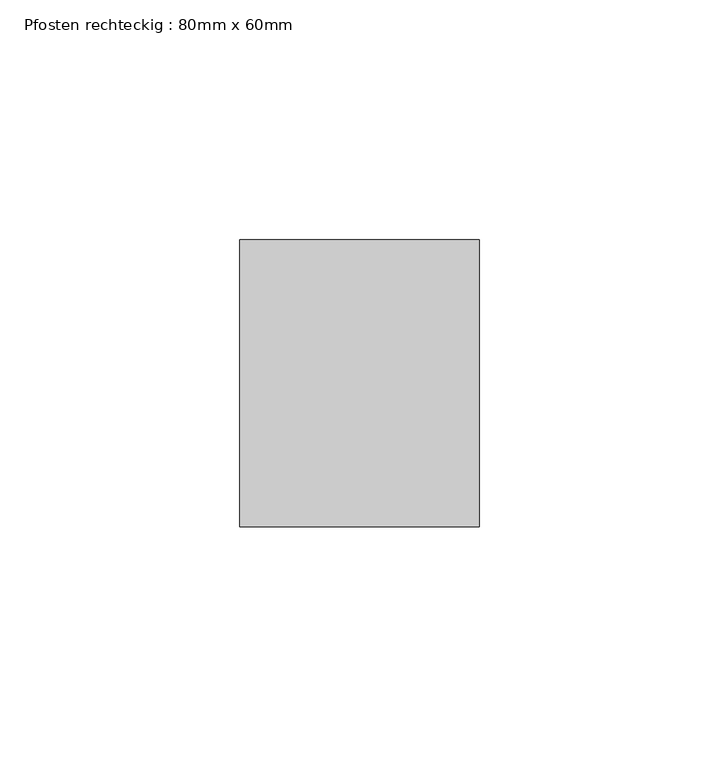
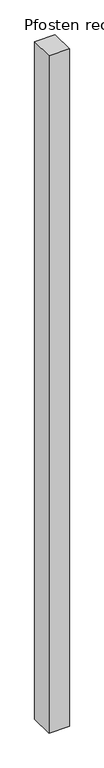
"""IFC4 building model written with IfcOpenShell, lengths in millimetres: member geometry, Pfosten rechteckig : 80mm x 60mm."""

from ifc_helpers import new_model, si_unit, frame, origin, place, context, project, spatial, polyline, outline, extrude, source, transform, mapped, element, save


def pfosten_rechteckig_80mm_x_60mm_7cbf00c4(model_context):
    return source(origin(), model_context, "Body", "SweptSolid", [
        extrude(outline(polyline([(0.0, 30.0), (0.0, -30.0), (-50.0, -30.0), (-50.0, 30.0), (0.0, 30.0)])), frame((0.0, 0.0, -1750.007928), z_axis=(0.0, 0.0, 1.0), x_axis=(1.0, 0.0, 0.0)), (0.0, 0.0, 1.0), 1750.007928),
    ])


if __name__ == "__main__":
    model = new_model("IFC4")
    model_context = context("Model", 3, world=origin())
    ifc_project = project(units=[si_unit("LENGTHUNIT", "METRE", prefix="MILLI")], contexts=[model_context])
    site = spatial("IfcSite", under=ifc_project)
    building = spatial("IfcBuilding", under=site)
    placement = place(None, origin())
    pfosten_rechteckig_80mm_x_60mm_shape = pfosten_rechteckig_80mm_x_60mm_7cbf00c4(model_context)
    element("IfcMember", 1, ObjectType="Pfosten rechteckig : 80mm x 60mm", at=placement, inside=building, context=model_context, shape_type="MappedRepresentation", body=[
        mapped(pfosten_rechteckig_80mm_x_60mm_shape, transform((0.0, 0.0, 0.0), x_axis=(1.0, 0.0, 0.0), y_axis=(0.0, 1.0, 0.0), z_axis=(0.0, 0.0, 1.0))),
    ])
    save(model, "model.ifc")
